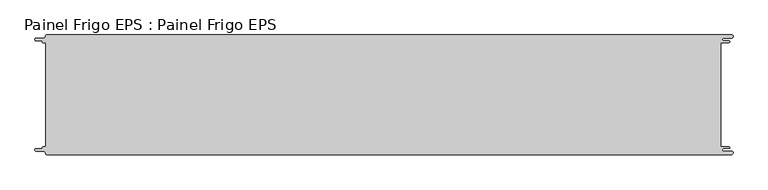
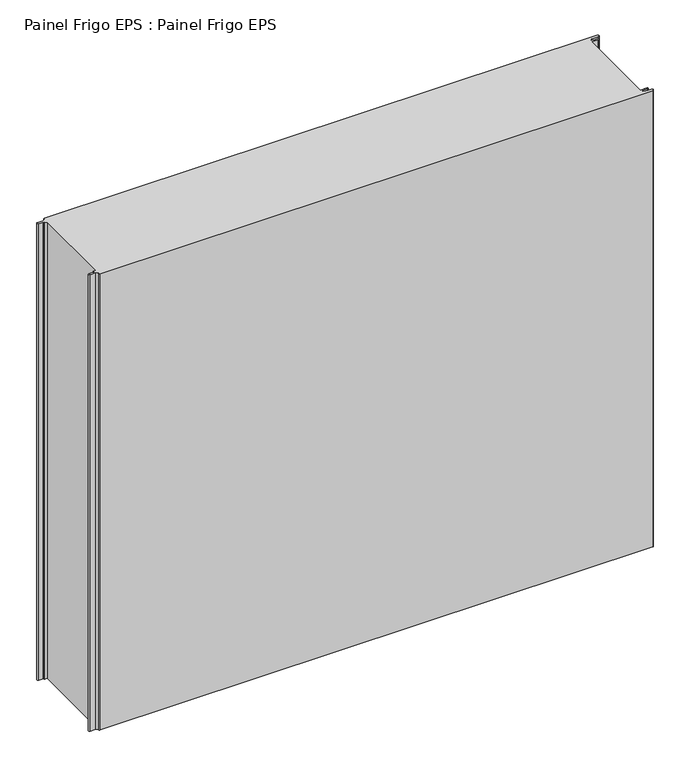
"""IFC4 building model written with IfcOpenShell, lengths in millimetres: proxy geometry, Painel Frigo EPS : Painel Frigo EPS."""

from ifc_helpers import new_model, si_unit, frame, origin, place, context, project, spatial, polyline, circle_curve, source, transform, mapped, element, save
from ifc_brep_helpers import plane_surface, cylinder_surface, revolved_surface, advanced_brep


def painel_frigo_eps_painel_frigo_eps_11ee445d(model_context):
    return source(origin(), model_context, "Body", "AdvancedBrep", [
        advanced_brep(
        [(-579.5093748, -87.3, 1000.0), (-580.1093748, -87.9, 1000.0), (-580.1093748, -88.7085184, 1000.0), (-581.5093751, -90.1085187, 1000.0), (-590.4875, -90.1085187, 1000.0), (-590.4875, -94.5085185, 1000.0), (-578.471875, -94.5085185, 1000.0), (-574.921875, -98.0585185, 1000.0), (-572.971875, -100.0, 1000.0), (572.284375, -100.0, 1000.0), (572.284375, -94.725, 1000.0), (559.378125, -94.725, 1000.0), (559.378125, -89.875, 1000.0), (568.0406253, -89.875, 1000.0), (568.0406253, -87.3, 1000.0), (554.1906253, -87.3, 1000.0), (554.1906253, 87.3, 1000.0), (568.0406253, 87.3, 1000.0), (568.0406253, 89.875, 1000.0), (559.378125, 89.875, 1000.0), (559.378125, 94.725, 1000.0), (572.284375, 94.725, 1000.0), (572.284375, 100.0, 1000.0), (-572.971875, 100.0, 1000.0), (-574.921875, 98.05, 1000.0), (-578.471875, 94.5085185, 1000.0), (-590.4875, 94.5085185, 1000.0), (-590.4875, 90.1085185, 1000.0), (-581.5093753, 90.1085185, 1000.0), (-580.1093753, 88.7085185, 1000.0), (-580.1093753, 87.9, 1000.0), (-579.5093748, 87.2999995, 1000.0), (-574.2218362, 87.2999995, 1000.0), (-574.2218362, -87.3, 1000.0), (-579.5093748, -87.3, 0.0), (-574.2218362, -87.3, 0.0), (-574.2218362, 87.2999995, 0.0), (-579.5093748, 87.2999995, 0.0), (-580.1093753, 87.9, 0.0), (-580.1093753, 88.7085185, 0.0), (-581.5093753, 90.1085185, 0.0), (-590.4875, 90.1085185, 0.0), (-590.4875, 94.5085185, 0.0), (-578.471875, 94.5085185, 0.0), (-574.921875, 98.0585185, 0.0), (-572.971875, 100.0, 0.0), (572.284375, 100.0, 0.0), (572.284375, 94.725, 0.0), (559.378125, 94.725, 0.0), (559.378125, 89.875, 0.0), (568.0406253, 89.875, 0.0), (568.0406253, 87.3, 0.0), (554.1906253, 87.3, 0.0), (554.1906253, -87.3, 0.0), (568.0406253, -87.3, 0.0), (568.0406253, -89.875, 0.0), (559.378125, -89.875, 0.0), (559.378125, -94.725, 0.0), (572.284375, -94.725, 0.0), (572.284375, -100.0, 0.0), (-572.971875, -100.0, 0.0), (-574.921875, -98.05, 0.0), (-578.471875, -94.5085185, 0.0), (-590.4875, -94.5085185, 0.0), (-590.4875, -90.1085187, 0.0), (-581.5093751, -90.1085187, 0.0), (-580.1093748, -88.7085184, 0.0), (-580.1093748, -87.9, 0.0)],
        [
            (0, 1, circle_curve(frame((-579.5093748, -87.9, 1000.0), z_axis=(0.0, 0.0, 1.0), x_axis=(1.0, 0.0, 0.0)), 0.6)),
            (1, 2),
            (2, 3, circle_curve(frame((-581.5093751, -88.7085184, 1000.0), z_axis=(0.0, 0.0, -1.0), x_axis=(1.0, 0.0, 0.0)), 1.4000003)),
            (3, 4),
            (4, 5, circle_curve(frame((-590.4875, -92.3085186, 1000.0), z_axis=(0.0, 0.0, 1.0), x_axis=(1.0, 0.0, 0.0)), 2.1999999)),
            (5, 6),
            (6, 7, circle_curve(frame((-578.471875, -98.0585185, 1000.0), z_axis=(0.0, 0.0, -1.0), x_axis=(1.0, 0.0, 0.0)), 3.55)),
            (7, 8, circle_curve(frame((-572.971875, -98.05, 1000.0), z_axis=(0.0, 0.0, 1.0), x_axis=(1.0, 0.0, 0.0)), 1.95)),
            (8, 9),
            (9, 10, circle_curve(frame((572.284375, -97.3625, 1000.0), z_axis=(0.0, 0.0, 1.0), x_axis=(1.0, 0.0, 0.0)), 2.6375)),
            (10, 11),
            (11, 12, circle_curve(frame((559.378125, -92.3, 1000.0), z_axis=(0.0, 0.0, -1.0), x_axis=(1.0, 0.0, 0.0)), 2.425)),
            (12, 13),
            (13, 14, circle_curve(frame((568.0406253, -88.5875, 1000.0), z_axis=(0.0, 0.0, 1.0), x_axis=(1.0, 0.0, 0.0)), 1.2875)),
            (14, 15),
            (15, 16),
            (16, 17),
            (17, 18, circle_curve(frame((568.0406253, 88.5875, 1000.0), z_axis=(0.0, 0.0, 1.0), x_axis=(1.0, 0.0, 0.0)), 1.2875)),
            (18, 19),
            (19, 20, circle_curve(frame((559.378125, 92.3, 1000.0), z_axis=(0.0, 0.0, -1.0), x_axis=(1.0, 0.0, 0.0)), 2.425)),
            (20, 21),
            (21, 22, circle_curve(frame((572.284375, 97.3625, 1000.0), z_axis=(0.0, 0.0, 1.0), x_axis=(1.0, 0.0, 0.0)), 2.6375)),
            (22, 23),
            (23, 24, circle_curve(frame((-572.971875, 98.05, 1000.0), z_axis=(0.0, 0.0, 1.0), x_axis=(1.0, 0.0, 0.0)), 1.95)),
            (24, 25, circle_curve(frame((-578.471875, 98.0585185, 1000.0), z_axis=(0.0, 0.0, -1.0), x_axis=(1.0, 0.0, 0.0)), 3.55)),
            (25, 26),
            (26, 27, circle_curve(frame((-590.4875, 92.3085185, 1000.0), z_axis=(0.0, 0.0, 1.0), x_axis=(1.0, 0.0, 0.0)), 2.2)),
            (27, 28),
            (28, 29, circle_curve(frame((-581.5093753, 88.7085185, 1000.0), z_axis=(0.0, 0.0, -1.0), x_axis=(1.0, 0.0, 0.0)), 1.4)),
            (29, 30),
            (30, 31, circle_curve(frame((-579.5093748, 87.9, 1000.0), z_axis=(0.0, 0.0, 1.0), x_axis=(1.0, 0.0, 0.0)), 0.6000005)),
            (31, 32),
            (32, 33),
            (33, 0),
            (34, 35),
            (35, 36),
            (36, 37),
            (37, 38, circle_curve(frame((-579.5093748, 87.9, 0.0), z_axis=(0.0, 0.0, -1.0), x_axis=(1.0, 0.0, 0.0)), 0.6000005)),
            (38, 39),
            (39, 40, circle_curve(frame((-581.5093753, 88.7085185, 0.0), z_axis=(0.0, 0.0, 1.0), x_axis=(1.0, 0.0, 0.0)), 1.4)),
            (40, 41),
            (41, 42, circle_curve(frame((-590.4875, 92.3085185, 0.0), z_axis=(0.0, 0.0, -1.0), x_axis=(1.0, 0.0, 0.0)), 2.2)),
            (42, 43),
            (43, 44, circle_curve(frame((-578.471875, 98.0585185, 0.0), z_axis=(0.0, 0.0, 1.0), x_axis=(1.0, 0.0, 0.0)), 3.55)),
            (44, 45, circle_curve(frame((-572.971875, 98.05, 0.0), z_axis=(0.0, 0.0, -1.0), x_axis=(1.0, 0.0, 0.0)), 1.95)),
            (45, 46),
            (46, 47, circle_curve(frame((572.284375, 97.3625, 0.0), z_axis=(0.0, 0.0, -1.0), x_axis=(1.0, 0.0, 0.0)), 2.6375)),
            (47, 48),
            (48, 49, circle_curve(frame((559.378125, 92.3, 0.0), z_axis=(0.0, 0.0, 1.0), x_axis=(1.0, 0.0, 0.0)), 2.425)),
            (49, 50),
            (50, 51, circle_curve(frame((568.0406253, 88.5875, 0.0), z_axis=(0.0, 0.0, -1.0), x_axis=(1.0, 0.0, 0.0)), 1.2875)),
            (51, 52),
            (52, 53),
            (53, 54),
            (54, 55, circle_curve(frame((568.0406253, -88.5875, 0.0), z_axis=(0.0, 0.0, -1.0), x_axis=(1.0, 0.0, 0.0)), 1.2875)),
            (55, 56),
            (56, 57, circle_curve(frame((559.378125, -92.3, 0.0), z_axis=(0.0, 0.0, 1.0), x_axis=(1.0, 0.0, 0.0)), 2.425)),
            (57, 58),
            (58, 59, circle_curve(frame((572.284375, -97.3625, 0.0), z_axis=(0.0, 0.0, -1.0), x_axis=(1.0, 0.0, 0.0)), 2.6375)),
            (59, 60),
            (60, 61, circle_curve(frame((-572.971875, -98.05, 0.0), z_axis=(0.0, 0.0, -1.0), x_axis=(1.0, 0.0, 0.0)), 1.95)),
            (61, 62, circle_curve(frame((-578.471875, -98.0585185, 0.0), z_axis=(0.0, 0.0, 1.0), x_axis=(1.0, 0.0, 0.0)), 3.55)),
            (62, 63),
            (63, 64, circle_curve(frame((-590.4875, -92.3085186, 0.0), z_axis=(0.0, 0.0, -1.0), x_axis=(1.0, 0.0, 0.0)), 2.1999999)),
            (64, 65),
            (65, 66, circle_curve(frame((-581.5093751, -88.7085184, 0.0), z_axis=(0.0, 0.0, 1.0), x_axis=(1.0, 0.0, 0.0)), 1.4000003)),
            (66, 67),
            (67, 34, circle_curve(frame((-579.5093748, -87.9, 0.0), z_axis=(0.0, 0.0, -1.0), x_axis=(1.0, 0.0, 0.0)), 0.6)),
            (22, 46),
            (45, 23),
            (8, 60),
            (59, 9),
            (33, 35),
            (34, 0),
            (32, 36),
            (31, 37),
            (30, 38),
            (29, 39),
            (28, 40),
            (27, 41),
            (26, 42),
            (25, 43),
            (24, 44),
            (15, 53),
            (52, 16),
            (14, 54),
            (13, 55),
            (12, 56),
            (11, 57),
            (10, 58),
            (7, 61),
            (6, 62),
            (5, 63),
            (4, 64),
            (3, 65),
            (2, 66),
            (1, 67),
            (21, 47),
            (20, 48),
            (19, 49),
            (18, 50),
            (17, 51),
        ],
        [
            plane_surface(frame((-574.2218362, -87.3, 1000.0), z_axis=(0.0, 0.0, 1.0), x_axis=(1.0, 0.0, 0.0))),
            plane_surface(frame((-574.2218362, -87.3, 0.0), z_axis=(0.0, 0.0, -1.0), x_axis=(-1.0, 0.0, 0.0))),
            plane_surface(frame((-572.971875, 100.0, 1000.0), z_axis=(0.0, 1.0, 0.0), x_axis=(0.0, 0.0, -1.0))),
            plane_surface(frame((572.284375, -100.0, 1000.0), z_axis=(0.0, -1.0, 0.0), x_axis=(0.0, 0.0, -1.0))),
            plane_surface(frame((-579.5093748, -87.3, 1000.0), z_axis=(0.0, 1.0, 0.0), x_axis=(0.0, 0.0, -1.0))),
            plane_surface(frame((-574.2218362, -87.3, 1000.0), z_axis=(-1.0, 0.0, 0.0), x_axis=(0.0, 0.0, -1.0))),
            plane_surface(frame((-574.2218362, 87.2999995, 1000.0), z_axis=(0.0, -1.0, 0.0), x_axis=(0.0, 0.0, -1.0))),
            cylinder_surface(frame((-579.5093748, 87.9, 0.0), z_axis=(0.0, 0.0, 1.0), x_axis=(1.0, 0.0, 0.0)), 0.6000005),
            plane_surface(frame((-580.1093753, 87.9, 1000.0), z_axis=(-1.0, -1.757860866232952e-12, 0.0), x_axis=(0.0, 0.0, -1.0))),
            revolved_surface(polyline([(-580.1093753, 88.7085185, 0.0), (-580.1093753, 88.7085185, 1000.0)]), (-581.5093753, 88.7085185, 0.0), (0.0, 0.0, -1.0)),
            plane_surface(frame((-581.5093753, 90.1085185, 1000.0), z_axis=(0.0, -1.0, 0.0), x_axis=(0.0, 0.0, -1.0))),
            cylinder_surface(frame((-590.4875, 92.3085185, 0.0), z_axis=(0.0, 0.0, 1.0), x_axis=(1.0, 0.0, 0.0)), 2.2),
            plane_surface(frame((-590.4875, 94.5085185, 1000.0), z_axis=(0.0, 1.0, 0.0), x_axis=(0.0, 0.0, -1.0))),
            revolved_surface(polyline([(-574.921875, 98.0585185, 0.0), (-574.921875, 98.0585185, 1000.0)]), (-578.471875, 98.0585185, 0.0), (0.0, 0.0, -1.0)),
            cylinder_surface(frame((-572.971875, 98.05, 0.0), z_axis=(0.0, 0.0, 1.0), x_axis=(1.0, 0.0, 0.0)), 1.95),
            plane_surface(frame((554.1906253, 87.3, 1000.0), z_axis=(1.0, 0.0, 0.0), x_axis=(0.0, 0.0, -1.0))),
            plane_surface(frame((554.1906253, -87.3, 1000.0), z_axis=(0.0, 1.0, 0.0), x_axis=(0.0, 0.0, -1.0))),
            cylinder_surface(frame((568.0406253, -88.5875, 0.0), z_axis=(0.0, 0.0, 1.0), x_axis=(1.0, 0.0, 0.0)), 1.2875),
            plane_surface(frame((568.0406253, -89.875, 1000.0), z_axis=(0.0, -1.0, 0.0), x_axis=(0.0, 0.0, -1.0))),
            revolved_surface(polyline([(561.8031249999999, -92.3, 0.0), (561.8031249999999, -92.3, 1000.0)]), (559.378125, -92.3, 0.0), (0.0, 0.0, -1.0)),
            plane_surface(frame((559.378125, -94.725, 1000.0), z_axis=(0.0, 1.0, 0.0), x_axis=(0.0, 0.0, -1.0))),
            cylinder_surface(frame((572.284375, -97.3625, 0.0), z_axis=(0.0, 0.0, 1.0), x_axis=(1.0, 0.0, 0.0)), 2.6375),
            cylinder_surface(frame((-572.971875, -98.05, 0.0), z_axis=(0.0, 0.0, 1.0), x_axis=(1.0, 0.0, 0.0)), 1.95),
            revolved_surface(polyline([(-574.921875, -98.0585185, 0.0), (-574.921875, -98.0585185, 1000.0)]), (-578.471875, -98.0585185, 0.0), (0.0, 0.0, -1.0)),
            plane_surface(frame((-578.471875, -94.5085185, 1000.0), z_axis=(0.0, -1.0, 0.0), x_axis=(0.0, 0.0, -1.0))),
            cylinder_surface(frame((-590.4875, -92.3085186, 0.0), z_axis=(0.0, 0.0, 1.0), x_axis=(1.0, 0.0, 0.0)), 2.1999999),
            plane_surface(frame((-590.4875, -90.1085187, 1000.0), z_axis=(0.0, 1.0, 0.0), x_axis=(0.0, 0.0, -1.0))),
            revolved_surface(polyline([(-580.1093748000001, -88.7085184, 0.0), (-580.1093748000001, -88.7085184, 1000.0)]), (-581.5093751, -88.7085184, 0.0), (0.0, 0.0, -1.0)),
            plane_surface(frame((-580.1093748, -88.7085184, 1000.0), z_axis=(-1.0, 0.0, 0.0), x_axis=(0.0, 0.0, -1.0))),
            cylinder_surface(frame((-579.5093748, -87.9, 0.0), z_axis=(0.0, 0.0, 1.0), x_axis=(1.0, 0.0, 0.0)), 0.6),
            cylinder_surface(frame((572.284375, 97.3625, 0.0), z_axis=(0.0, 0.0, 1.0), x_axis=(1.0, 0.0, 0.0)), 2.6375),
            plane_surface(frame((572.284375, 94.725, 1000.0), z_axis=(0.0, -1.0, 0.0), x_axis=(0.0, 0.0, -1.0))),
            revolved_surface(polyline([(561.8031249999999, 92.3, 0.0), (561.8031249999999, 92.3, 1000.0)]), (559.378125, 92.3, 0.0), (0.0, 0.0, -1.0)),
            plane_surface(frame((559.378125, 89.875, 1000.0), z_axis=(0.0, 1.0, 0.0), x_axis=(0.0, 0.0, -1.0))),
            cylinder_surface(frame((568.0406253, 88.5875, 0.0), z_axis=(0.0, 0.0, 1.0), x_axis=(1.0, 0.0, 0.0)), 1.2875),
            plane_surface(frame((568.0406253, 87.3, 1000.0), z_axis=(0.0, -1.0, 0.0), x_axis=(0.0, 0.0, -1.0))),
        ],
        [
            (0, [[1, 2, 3, 4, 5, 6, 7, 8, 9, 10, 11, 12, 13, 14, 15, 16, 17, 18, 19, 20, 21, 22, 23, 24, 25, 26, 27, 28, 29, 30, 31, 32, 33, 34]]),
            (1, [[35, 36, 37, 38, 39, 40, 41, 42, 43, 44, 45, 46, 47, 48, 49, 50, 51, 52, 53, 54, 55, 56, 57, 58, 59, 60, 61, 62, 63, 64, 65, 66, 67, 68]]),
            (2, [[69, -46, 70, -23]]),
            (3, [[71, -60, 72, -9]]),
            (4, [[73, -35, 74, -34]]),
            (5, [[75, -36, -73, -33]]),
            (6, [[76, -37, -75, -32]]),
            (7, [[77, -38, -76, -31]]),
            (8, [[78, -39, -77, -30]]),
            (9, [[79, -40, -78, -29]]),
            (10, [[80, -41, -79, -28]]),
            (11, [[81, -42, -80, -27]]),
            (12, [[82, -43, -81, -26]]),
            (13, [[83, -44, -82, -25]]),
            (14, [[-70, -45, -83, -24]]),
            (15, [[84, -53, 85, -16]]),
            (16, [[86, -54, -84, -15]]),
            (17, [[87, -55, -86, -14]]),
            (18, [[88, -56, -87, -13]]),
            (19, [[89, -57, -88, -12]]),
            (20, [[90, -58, -89, -11]]),
            (21, [[-72, -59, -90, -10]]),
            (22, [[91, -61, -71, -8]]),
            (23, [[92, -62, -91, -7]]),
            (24, [[93, -63, -92, -6]]),
            (25, [[94, -64, -93, -5]]),
            (26, [[95, -65, -94, -4]]),
            (27, [[96, -66, -95, -3]]),
            (28, [[97, -67, -96, -2]]),
            (29, [[-74, -68, -97, -1]]),
            (30, [[98, -47, -69, -22]]),
            (31, [[99, -48, -98, -21]]),
            (32, [[100, -49, -99, -20]]),
            (33, [[101, -50, -100, -19]]),
            (34, [[102, -51, -101, -18]]),
            (35, [[-85, -52, -102, -17]]),
        ],
    ),
    ])


if __name__ == "__main__":
    model = new_model("IFC4")
    model_context = context("Model", 3, world=origin())
    ifc_project = project(units=[si_unit("LENGTHUNIT", "METRE", prefix="MILLI")], contexts=[model_context])
    site = spatial("IfcSite", under=ifc_project)
    building = spatial("IfcBuilding", under=site)
    placement = place(None, origin())
    painel_frigo_eps_painel_frigo_eps_shape = painel_frigo_eps_painel_frigo_eps_11ee445d(model_context)
    element("IfcBuildingElementProxy", 1, Name="Painel Frigo EPS : Painel Frigo EPS", ObjectType="Painel Frigo EPS : Painel Frigo EPS", at=placement, inside=building, context=model_context, shape_type="MappedRepresentation", body=[
        mapped(painel_frigo_eps_painel_frigo_eps_shape, transform((0.0, 0.0, 0.0), x_axis=(1.0, 0.0, 0.0), y_axis=(0.0, 1.0, 0.0), z_axis=(0.0, 0.0, 1.0))),
    ])
    save(model, "model.ifc")
